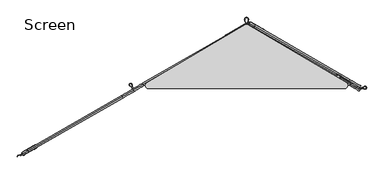
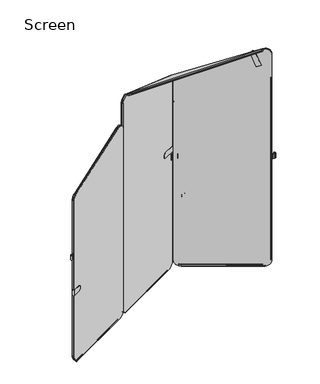
"""IFC4 building model written with IfcOpenShell, lengths in millimetres: furniture geometry, Screen."""

from ifc_helpers import new_model, si_unit, point, frame, frame_2d, origin, place, context, project, spatial, polyline, circle_curve, ellipse_curve, trimmed, segment, composite_curve, outline, extrude, source, transform, mapped, element, save
from ifc_brep_helpers import plane_surface, cylinder_surface, revolved_surface, advanced_brep


def screen_e1c4ccff(model_context):
    return source(origin(), model_context, "Body", "SolidModel", [
        extrude(outline(composite_curve([segment(polyline([(57.15, 57.15), (57.15, -516.4429447)]), True, "CONTINUOUS"), segment(trimmed(circle_curve(frame_2d((15.6022923, -516.4429447)), 41.5477077), [point((57.15, -516.4429447))], [point((15.72966, -557.9904571))], False, "CARTESIAN"), True, "CONTINUOUS"), segment(polyline([(15.72966, -557.9904571), (-1510.5646113, -557.9904571)]), True, "CONTINUOUS"), segment(trimmed(circle_curve(frame_2d((-1510.5646113, -507.1904571)), 50.8), [point((-1510.5646113, -557.9904571))], [point((-1558.4447325, -490.2159472))], False, "CARTESIAN"), True, "CONTINUOUS"), segment(polyline([(-1558.4447325, -490.2159472), (-1354.624438, 84.701414)]), True, "CONTINUOUS"), segment(trimmed(circle_curve(frame_2d((-1312.7293319, 69.8487179)), 44.45), [point((-1354.624438, 84.701414))], [point((-1312.7293753, 114.2987179))], False, "CARTESIAN"), True, "CONTINUOUS"), segment(polyline([(-1312.7293753, 114.2987179), (-5.59e-05, 114.3)]), True, "CONTINUOUS"), segment(trimmed(circle_curve(frame_2d((0.0, 57.15)), 57.15), [point((-5.59e-05, 114.3))], [point((57.15, 57.15))], False, "CARTESIAN"), True, "CONTINUOUS")], self_intersect=False)), frame((103.6744467, 124.1904105, 62.4738029), z_axis=(0.5014255681836765, 0.8652007856975613, 0.0), x_axis=(0.0, 0.0, -1.0)), (0.0, 0.0, 1.0), 8.2615122),
        extrude(outline(composite_curve([segment(polyline([(573.5929447, 0.0), (0.0, 0.0)]), True, "CONTINUOUS"), segment(trimmed(circle_curve(frame_2d((0.0, 41.5477077)), 41.5477077), [point((0.0, 0.0))], [point((-41.5475124, 41.42034))], False, "CARTESIAN"), True, "CONTINUOUS"), segment(polyline([(-41.5475124, 41.42034), (-41.5475124, 1567.7146113)]), True, "CONTINUOUS"), segment(trimmed(circle_curve(frame_2d((9.2524875, 1567.7146113)), 50.8), [point((-41.5475124, 1567.7146113))], [point((26.2269975, 1615.5947325))], False, "CARTESIAN"), True, "CONTINUOUS"), segment(polyline([(26.2269975, 1615.5947325), (601.1443587, 1411.774438)]), True, "CONTINUOUS"), segment(trimmed(circle_curve(frame_2d((586.2916626, 1369.8793319)), 44.45), [point((601.1443587, 1411.774438))], [point((630.7416626, 1369.8793753))], False, "CARTESIAN"), True, "CONTINUOUS"), segment(polyline([(630.7416626, 1369.8793753), (630.7429447, 57.1500559)]), True, "CONTINUOUS"), segment(trimmed(circle_curve(frame_2d((573.5929447, 57.15)), 57.15), [point((630.7429447, 57.1500559))], [point((573.5929447, 0.0))], False, "CARTESIAN"), True, "CONTINUOUS")], self_intersect=False)), frame((546.3587548, -141.9151533, 5.3238029), z_axis=(0.5014255681836765, 0.8652007856975612, 0.0), x_axis=(-0.8652007856975612, 0.5014255681836765, 0.0)), (0.0, 0.0, 1.0), 8.2615122),
        extrude(outline(composite_curve([segment(trimmed(circle_curve(frame_2d((598.1136733, -178.0375759)), 15.6309476), [point((587.1517606, -166.8947311))], [point((599.0493266, -162.4346571))], False, "CARTESIAN"), True, "CONTINUOUS"), segment(trimmed(circle_curve(frame_2d((595.5971111, -220.0036696)), 57.6724283), [point((599.0493266, -162.4346571))], [point((612.9936447, -165.017584))], False, "CARTESIAN"), True, "CONTINUOUS"), segment(trimmed(circle_curve(frame_2d((613.575283, -158.2398324)), 6.8026627), [point((612.9936447, -165.017584))], [point((609.8295658, -152.5612919))], True, "CARTESIAN"), True, "CONTINUOUS"), segment(trimmed(circle_curve(frame_2d((578.0736766, -104.4190808)), 57.6724283), [point((609.8295658, -152.5612919))], [point((597.1212487, -158.8552726))], False, "CARTESIAN"), True, "CONTINUOUS"), segment(trimmed(circle_curve(frame_2d((591.9587888, -144.1014417)), 15.6309476), [point((597.1212487, -158.8552726))], [point((584.4578288, -157.815016))], False, "CARTESIAN"), True, "CONTINUOUS"), segment(trimmed(circle_curve(frame_2d((593.1754437, -141.8771013)), 18.1662857), [point((584.4578288, -157.815016))], [point((577.9568598, -151.797214))], False, "CARTESIAN"), True, "CONTINUOUS"), segment(polyline([(577.9568598, -151.797214), (578.7769997, -151.1946711)]), True, "CONTINUOUS"), segment(trimmed(circle_curve(frame_2d((593.1754437, -141.8771013)), 17.1502857), [point((578.7769997, -151.1946711))], [point((584.9453856, -156.9236438))], True, "CARTESIAN"), True, "CONTINUOUS"), segment(trimmed(circle_curve(frame_2d((591.9587888, -144.1014417)), 14.6149476), [point((584.9453856, -156.9236438))], [point((596.7856926, -157.8962846))], True, "CARTESIAN"), True, "CONTINUOUS"), segment(trimmed(circle_curve(frame_2d((578.0736766, -104.4190808)), 56.6564283), [point((596.7856926, -157.8962846))], [point((609.2701307, -151.7131832))], True, "CARTESIAN"), True, "CONTINUOUS"), segment(trimmed(circle_curve(frame_2d((613.5685854, -158.2296788)), 7.8064991), [point((609.2701307, -151.7131832))], [point((612.6871746, -165.9862594))], False, "CARTESIAN"), True, "CONTINUOUS"), segment(trimmed(circle_curve(frame_2d((595.5971111, -220.0036696)), 56.6564283), [point((612.6871746, -165.9862594))], [point((598.9885099, -163.4488353))], True, "CARTESIAN"), True, "CONTINUOUS"), segment(trimmed(circle_curve(frame_2d((598.1136733, -178.0375759)), 14.6149476), [point((598.9885099, -163.4488353))], [point((587.8642768, -167.6190077))], True, "CARTESIAN"), True, "CONTINUOUS"), segment(trimmed(circle_curve(frame_2d((599.8916945, -179.8449442)), 17.1502857), [point((587.8642768, -167.6190077))], [point((583.4955544, -174.8151441))], True, "CARTESIAN"), True, "CONTINUOUS"), segment(polyline([(583.4955544, -174.8151441), (582.5420077, -174.4595653)]), True, "CONTINUOUS"), segment(trimmed(circle_curve(frame_2d((599.8916945, -179.8449442)), 18.1662857), [point((582.5420077, -174.4595653))], [point((587.1517606, -166.8947311))], False, "CARTESIAN"), True, "CONTINUOUS")], self_intersect=False)), frame((0.0, 0.0, 895.3441864), z_axis=(0.0, 0.0, 1.0), x_axis=(1.0, 0.0, 0.0)), (0.0, 0.0, 1.0), 38.1),
        advanced_brep(
        [(11.7279021, 186.0583928, 624.0890865), (61.5572902, 157.2631821, 624.0890865), (62.5936488, 159.0565745, 624.0890865), (11.932128, 188.3326548, 624.0890865), (2.4285422, 171.8869386, 624.0890865), (53.090063, 142.6108583, 624.0890865), (54.2442775, 144.6081974, 624.0890865), (4.4148894, 173.4034081, 624.0890865), (11.932128, 188.3326548, 579.6941583), (59.1393423, 161.0527355, 579.6941583), (58.1029838, 159.2593431, 579.6941583), (11.7279021, 186.0583928, 579.6941583), (4.4148894, 173.4034081, 579.6941583), (50.789971, 146.6043584, 579.6941583), (49.6357565, 144.6070193, 579.6941583), (2.4285422, 171.8869386, 579.6941583), (58.1029838, 159.2593431, 580.0001528), (59.1393423, 161.0527355, 580.0001528), (49.6357565, 144.6070193, 580.0001528), (50.789971, 146.6043584, 580.0001528)],
        [
            (0, 1),
            (1, 2),
            (2, 3),
            (3, 4, circle_curve(frame((7.1803351, 180.1097967, 624.0890865), z_axis=(0.0, 0.0, 1.0), x_axis=(-0.5003413979630116, -0.8658282078359537, 0.0)), 9.4971012)),
            (4, 5),
            (5, 6),
            (6, 7),
            (7, 0, circle_curve(frame((8.0713958, 179.7309004, 624.0890865), z_axis=(0.0, 0.0, -1.0), x_axis=(-0.5003413979630116, -0.8658282078359537, 0.0)), 7.3080229)),
            (8, 9),
            (9, 10),
            (10, 11),
            (11, 12, circle_curve(frame((8.0713958, 179.7309004, 579.6941583), z_axis=(0.0, 0.0, 1.0), x_axis=(-0.5003413979630116, -0.8658282078359537, 0.0)), 7.3080229)),
            (12, 13),
            (13, 14),
            (14, 15),
            (15, 8, circle_curve(frame((7.1803351, 180.1097967, 579.6941583), z_axis=(0.0, 0.0, -1.0), x_axis=(-0.5003413979630116, -0.8658282078359537, 0.0)), 9.4971012)),
            (10, 16),
            (16, 1, circle_curve(frame((58.1029838, 159.2593431, 602.2251286), z_axis=(-0.5003413979630116, -0.8658282078359538, 0.0), x_axis=(-0.8658282078359536, 0.5003413979630115, 0.0)), 22.2249758)),
            (0, 11),
            (2, 17, circle_curve(frame((59.1393423, 161.0527355, 602.2251286), z_axis=(0.5003413979630116, 0.8658282078359538, 0.0), x_axis=(-0.8658282078359536, 0.5003413979630115, 0.0)), 22.2249758)),
            (17, 9),
            (8, 3),
            (15, 4),
            (14, 18),
            (18, 5, circle_curve(frame((49.6357565, 144.6070193, 602.2251286), z_axis=(-0.5003413979630116, -0.8658282078359538, 0.0), x_axis=(-0.8658282078359536, 0.5003413979630115, 0.0)), 22.2249758)),
            (6, 19, circle_curve(frame((50.789971, 146.6043584, 602.2251286), z_axis=(0.5003413979630116, 0.8658282078359538, 0.0), x_axis=(-0.8658282078359536, 0.5003413979630115, 0.0)), 22.2249758)),
            (19, 13),
            (12, 7),
            (16, 17),
            (18, 19),
        ],
        [
            plane_surface(frame((4.4148894, 173.4034081, 624.0890865), z_axis=(0.0, 0.0, 1.0), x_axis=(0.8658282078359536, -0.5003413979630116, 0.0))),
            plane_surface(frame((4.4148894, 173.4034081, 579.6941583), z_axis=(0.0, 0.0, -1.0), x_axis=(-0.8658282078359536, 0.5003413979630116, 0.0))),
            plane_surface(frame((79.2343951, 147.0480063, 624.0890865), z_axis=(-0.5003413979630125, -0.8658282078359532, 0.0), x_axis=(0.0, 0.0, -1.0))),
            plane_surface(frame((11.932128, 188.3326548, 624.0890865), z_axis=(0.5003413979630111, 0.8658282078359539, 0.0), x_axis=(0.0, 0.0, -1.0))),
            cylinder_surface(frame((7.1803351, 180.1097967, 579.6941583), z_axis=(0.0, 0.0, 1.0000000000000002), x_axis=(-0.5003413979630116, -0.8658282078359537, 0.0)), 9.4971012),
            plane_surface(frame((70.7671679, 132.3956825, 624.0890865), z_axis=(-0.5003413979630126, -0.865828207835953, 0.0), x_axis=(0.0, 0.0, -1.0))),
            plane_surface(frame((4.4148894, 173.4034081, 624.0890865), z_axis=(0.5003413979630116, 0.8658282078359537, 0.0), x_axis=(0.0, 0.0, -1.0))),
            revolved_surface(polyline([(4.414889405868298, 173.4034080296689, 579.6941583), (4.414889405868298, 173.4034080296689, 624.0890865)]), (8.0713958, 179.7309004, 579.6941583), (0.0, 0.0, -1.0000000000000002)),
            cylinder_surface(frame((-244.7509442, -364.8217639, 602.2251286), z_axis=(-0.5003413979630115, -0.8658282078359536, 0.0), x_axis=(-0.8658282078359536, 0.5003413979630115, 0.0)), 22.2249758),
            plane_surface(frame((175.8006548, 362.9322033, 580.0001528), z_axis=(0.8658282078359536, -0.5003413979630116, 0.0), x_axis=(-0.5003413979630116, -0.8658282078359536, 0.0))),
        ],
        [
            (0, [[1, 2, 3, 4, 5, 6, 7, 8]]),
            (1, [[9, 10, 11, 12, 13, 14, 15, 16]]),
            (2, [[-11, 17, 18, -1, 19]]),
            (3, [[-3, 20, 21, -9, 22]]),
            (4, [[-22, -16, 23, -4]]),
            (5, [[-15, 24, 25, -5, -23]]),
            (6, [[-7, 26, 27, -13, 28]]),
            (7, [[-28, -12, -19, -8]]),
            (8, [[-20, -2, -18, 29]]),
            (8, [[-26, -6, -25, 30]]),
            (9, [[-17, -10, -21, -29]]),
            (9, [[-24, -14, -27, -30]]),
        ],
    ),
        extrude(outline(composite_curve([segment(trimmed(circle_curve(frame_2d((0.0, 2.667)), 2.667), [point((0.0, 5.334))], [point((0.0, 0.0))], False, "CARTESIAN"), True, "CONTINUOUS"), segment(trimmed(circle_curve(frame_2d((0.0, 2.667)), 2.667), [point((0.0, 0.0))], [point((0.0, 5.334))], False, "CARTESIAN"), True, "CONTINUOUS")], self_intersect=False)), frame((537.3435442, -126.5834955, 2.5379514), z_axis=(-0.8668691708695273, 0.49853569641097756, 0.0), x_axis=(0.0, 0.0, 1.0)), (0.0, 0.0, 1.0), 579.4266985),
        extrude(outline(composite_curve([segment(trimmed(circle_curve(frame_2d((0.0, 2.667)), 2.667), [point((0.0, 5.334))], [point((0.0, 0.0))], False, "CARTESIAN"), True, "CONTINUOUS"), segment(trimmed(circle_curve(frame_2d((0.0, 2.667)), 2.667), [point((0.0, 0.0))], [point((0.0, 5.334))], False, "CARTESIAN"), True, "CONTINUOUS")], self_intersect=False)), frame((536.7361583, -127.3623609, 2.5379514), z_axis=(-0.8660253657267415, 0.5000000659178595, 0.0), x_axis=(0.0, 0.0, -1.0)), (0.0, 0.0, 1.0), 579.289294),
        extrude(outline(composite_curve([segment(polyline([(30.9902992, 166.2949488), (30.525524, 165.4906669), (8.1729156, 178.4077043), (-5.1623868, 184.9182753), (-21.1292247, 189.8067119)]), True, "CONTINUOUS"), segment(trimmed(circle_curve(frame_2d((-19.543052, 195.0519747)), 5.4798472), [point((-21.1292247, 189.8067119))], [point((-15.8042254, 199.0582075))], False, "CARTESIAN"), True, "CONTINUOUS"), segment(polyline([(-15.8042254, 199.0582075), (-3.7508821, 187.8093953), (8.6376908, 179.2119862), (30.9902992, 166.2949488)]), True, "CONTINUOUS")], self_intersect=False), holes=[composite_curve([segment(polyline([(-4.2734535, 187.6916966), (-16.0871469, 198.3372307)]), True, "CONTINUOUS"), segment(trimmed(circle_curve(frame_2d((-19.5546121, 194.9497846)), 4.8474845), [point((-16.0871469, 198.3372307))], [point((-20.9737069, 190.3146713))], True, "CARTESIAN"), True, "CONTINUOUS"), segment(polyline([(-20.9737069, 190.3146713), (-5.3350227, 185.5267029), (8.7674516, 178.6415827), (-4.2734535, 187.6916966)]), True, "CONTINUOUS")], self_intersect=False)]), frame((0.0, 0.0, 895.3440895), z_axis=(0.0, 0.0, 1.0), x_axis=(1.0, 0.0, 0.0)), (0.0, 0.0, 1.0), 38.1000969),
        extrude(outline(composite_curve([segment(polyline([(-573.5929446, 0.0), (0.0, 0.0)]), True, "CONTINUOUS"), segment(trimmed(circle_curve(frame_2d((0.0, -41.5477077)), 41.5477077), [point((0.0, 0.0))], [point((41.5475125, -41.42034))], False, "CARTESIAN"), True, "CONTINUOUS"), segment(polyline([(41.5475125, -41.42034), (41.5475125, -1567.7146113)]), True, "CONTINUOUS"), segment(trimmed(circle_curve(frame_2d((-9.2524876, -1567.7146113)), 50.8), [point((41.5475125, -1567.7146113))], [point((-26.2269974, -1615.5947325))], False, "CARTESIAN"), True, "CONTINUOUS"), segment(polyline([(-26.2269974, -1615.5947325), (-601.1443587, -1411.774438)]), True, "CONTINUOUS"), segment(trimmed(circle_curve(frame_2d((-586.2916626, -1369.8793319)), 44.45), [point((-601.1443587, -1411.774438))], [point((-630.7416626, -1369.8793753))], False, "CARTESIAN"), True, "CONTINUOUS"), segment(polyline([(-630.7416626, -1369.8793753), (-630.7429446, -57.1500559)]), True, "CONTINUOUS"), segment(trimmed(circle_curve(frame_2d((-573.5929446, -57.15)), 57.15), [point((-630.7429446, -57.1500559))], [point((-573.5929446, 0.0))], False, "CARTESIAN"), True, "CONTINUOUS")], self_intersect=False)), frame((-644.3974167, -192.0436174, 5.3238029), z_axis=(-0.4978895307584103, 0.8672404598271289, 0.0), x_axis=(0.8672404598271289, 0.4978895307584103, 0.0)), (0.0, 0.0, 1.0), 6.4590613),
        extrude(outline(composite_curve([segment(polyline([(-57.15, -57.15), (-57.15, 516.4429447)]), True, "CONTINUOUS"), segment(trimmed(circle_curve(frame_2d((-15.6022923, 516.4429447)), 41.5477077), [point((-57.15, 516.4429447))], [point((-15.72966, 557.9904571))], False, "CARTESIAN"), True, "CONTINUOUS"), segment(polyline([(-15.72966, 557.9904571), (1510.5646113, 557.9904571)]), True, "CONTINUOUS"), segment(trimmed(circle_curve(frame_2d((1510.5646113, 507.1904571)), 50.8), [point((1510.5646113, 557.9904571))], [point((1558.4447325, 490.2159473))], False, "CARTESIAN"), True, "CONTINUOUS"), segment(polyline([(1558.4447325, 490.2159473), (1354.624438, -84.7014141)]), True, "CONTINUOUS"), segment(trimmed(circle_curve(frame_2d((1312.7293319, -69.8487179)), 44.45), [point((1354.624438, -84.7014141))], [point((1312.7293753, -114.2987179))], False, "CARTESIAN"), True, "CONTINUOUS"), segment(polyline([(1312.7293753, -114.2987179), (5.59e-05, -114.2999999)]), True, "CONTINUOUS"), segment(trimmed(circle_curve(frame_2d((0.0, -57.15)), 57.15), [point((5.59e-05, -114.2999999))], [point((-57.15, -57.15))], False, "CARTESIAN"), True, "CONTINUOUS")], self_intersect=False)), frame((-1088.1643131, -456.3398704, 62.4738029), z_axis=(-0.4978895307584103, 0.8672404598271289, 0.0), x_axis=(0.0, 0.0, 1.0)), (0.0, 0.0, 1.0), 8.2615122),
        extrude(outline(polyline([(-605.6979028, -168.5697612), (-612.5631564, -173.2613455), (-613.0093626, -172.244663), (-606.3856859, -167.7181678), (-605.6979028, -168.5697612)])), frame((0.0, 0.0, 47.7445179), z_axis=(0.0, 0.0, 1.0), x_axis=(1.0, 0.0, 0.0)), (0.0, 0.0, 1.0), 1433.1089655),
        extrude(outline(polyline([(-605.6979028, -168.5697612), (-605.1543863, -169.5199437), (-611.8446199, -174.0919227), (-612.6297133, -173.3068293), (-605.6979028, -168.5697612)])), frame((0.0, 0.0, 47.7445179), z_axis=(0.0, 0.0, 1.0), x_axis=(1.0, 0.0, 0.0)), (0.0, 0.0, 1.0), 1433.1089655),
        extrude(outline(composite_curve([segment(trimmed(circle_curve(frame_2d((0.0, -2.667)), 2.667), [point((0.0, -5.334))], [point((0.0, 0.0))], False, "CARTESIAN"), True, "CONTINUOUS"), segment(trimmed(circle_curve(frame_2d((0.0, -2.667)), 2.667), [point((0.0, 0.0))], [point((0.0, -5.334))], False, "CARTESIAN"), True, "CONTINUOUS")], self_intersect=False)), frame((-1158.8771195, -490.9326908, 2.5379514), z_axis=(0.865179125050998, 0.5014629413785127, 0.0), x_axis=(0.0, 0.0, 1.0)), (0.0, 0.0, 1.0), 579.4266985),
        extrude(outline(composite_curve([segment(trimmed(circle_curve(frame_2d((0.0, -2.667)), 2.667), [point((0.0, -5.334))], [point((0.0, 0.0))], False, "CARTESIAN"), True, "CONTINUOUS"), segment(trimmed(circle_curve(frame_2d((0.0, -2.667)), 2.667), [point((0.0, 0.0))], [point((0.0, -5.334))], False, "CARTESIAN"), True, "CONTINUOUS")], self_intersect=False)), frame((-1158.8704838, -490.9621335, 2.5379514), z_axis=(0.8660254037844444, 0.49999999999999006, 0.0), x_axis=(0.0, 0.0, -1.0)), (0.0, 0.0, 1.0), 579.289294),
        advanced_brep(
        [(-1183.5025187, -514.4168458, 624.0890865), (-1183.5025187, -514.4168458, 579.6941583), (-1136.2738105, -487.1741549, 579.6941583), (-1136.2738105, -487.1741549, 580.0001528), (-1132.8179313, -485.180718, 624.0890865), (-1144.7294827, -472.5151598, 580.0001528), (-1145.7644269, -470.7209509, 580.0001528), (-1142.3085476, -468.727514, 624.0890865), (-1141.2736034, -470.5217229, 624.0890865), (-1137.4264498, -485.1759065, 580.0001528), (-1133.9705706, -483.1824696, 624.0890865), (-1192.9931351, -497.9636417, 624.0890865), (-1183.8226464, -511.9383839, 624.0890865), (-1191.1256793, -499.2776373, 624.0890865), (-1191.1256793, -499.2776373, 579.6941583), (-1183.8226464, -511.9383839, 579.6941583), (-1137.4264498, -485.1759065, 579.6941583), (-1192.9931351, -497.9636417, 579.6941583), (-1145.7644269, -470.7209509, 579.6941583), (-1144.7294827, -472.5151598, 579.6941583)],
        [
            (0, 1),
            (1, 2),
            (2, 3),
            (3, 4, circle_curve(frame((-1136.2738105, -487.1741549, 602.2251286), z_axis=(0.4996585902504318, -0.8662224270872644, 0.0), x_axis=(-0.8662224270872644, -0.4996585902504318, 0.0)), 22.2249758)),
            (4, 0),
            (5, 6),
            (6, 7, circle_curve(frame((-1145.7644269, -470.7209509, 602.2251286), z_axis=(0.4996585902504318, -0.8662224270872644, 0.0), x_axis=(-0.8662224270872644, -0.4996585902504318, 0.0)), 22.2249758)),
            (7, 8),
            (8, 5, circle_curve(frame((-1144.7294827, -472.5151598, 602.2251286), z_axis=(-0.4996585902504318, 0.8662224270872644, 0.0), x_axis=(-0.8662224270872644, -0.4996585902504318, 0.0)), 22.2249758)),
            (3, 9),
            (9, 10, circle_curve(frame((-1137.4264498, -485.1759065, 602.2251286), z_axis=(0.4996585902504318, -0.8662224270872644, 0.0), x_axis=(-0.8662224270872644, -0.4996585902504318, 0.0)), 22.2249758)),
            (10, 4),
            (11, 0, circle_curve(frame((-1188.2478269, -506.1902437, 624.0890865), z_axis=(0.0, 0.0, 1.0), x_axis=(0.4996585902504318, -0.8662224270872644, 0.0)), 9.4971012)),
            (10, 12),
            (12, 13, circle_curve(frame((-1187.4741629, -505.6080106, 624.0890865), z_axis=(0.0, 0.0, -1.0), x_axis=(0.4996585902504318, -0.8662224270872644, 0.0)), 7.3080229)),
            (13, 8),
            (7, 11),
            (14, 15, circle_curve(frame((-1187.4741629, -505.6080106, 579.6941583), z_axis=(0.0, 0.0, 1.0), x_axis=(0.4996585902504318, -0.8662224270872644, 0.0)), 7.3080229)),
            (15, 16),
            (16, 2),
            (1, 17, circle_curve(frame((-1188.2478269, -506.1902437, 579.6941583), z_axis=(0.0, 0.0, -1.0), x_axis=(0.4996585902504318, -0.8662224270872644, 0.0)), 9.4971012)),
            (17, 18),
            (18, 19),
            (19, 14),
            (13, 14),
            (19, 5),
            (17, 11),
            (6, 18),
            (15, 12),
            (9, 16),
        ],
        [
            plane_surface(frame((-1183.5025187, -514.4168458, 624.0890865), z_axis=(0.4996585902504306, -0.8662224270872652, 0.0), x_axis=(0.0, 0.0, -1.0))),
            cylinder_surface(frame((-842.2888544, -996.8348856, 602.2251286), z_axis=(0.4996585902504318, -0.8662224270872644, 0.0), x_axis=(-0.8662224270872644, -0.4996585902504318, 0.0)), 22.2249758),
            plane_surface(frame((-1086.3015476, -438.8124771, 624.0890865), z_axis=(0.0, 0.0, 1.0000000000000002), x_axis=(0.8662224270872647, 0.4996585902504315, 0.0))),
            plane_surface(frame((-1086.3015476, -438.8124771, 579.6941583), z_axis=(0.0, 0.0, -1.0000000000000002), x_axis=(-0.8662224270872647, -0.4996585902504315, 0.0))),
            plane_surface(frame((-1191.1256793, -499.2776373, 624.0890865), z_axis=(0.4996585902504315, -0.8662224270872647, 0.0), x_axis=(0.0, 0.0, -1.0))),
            plane_surface(frame((-1124.6233943, -458.5262787, 624.0890865), z_axis=(-0.49965859025043396, 0.8662224270872633, 0.0), x_axis=(0.0, 0.0, -1.0))),
            cylinder_surface(frame((-1188.2478269, -506.1902437, 579.6941583), z_axis=(0.0, 0.0, 1.0), x_axis=(0.4996585902504318, -0.8662224270872644, 0.0)), 9.4971012),
            plane_surface(frame((-1116.2854172, -472.9812342, 624.0890865), z_axis=(-0.4996585902504315, 0.8662224270872647, 0.0), x_axis=(0.0, 0.0, -1.0))),
            revolved_surface(polyline([(-1183.822646480268, -511.9383839336473, 579.6941583), (-1183.822646480268, -511.9383839336473, 624.0890865)]), (-1187.4741629, -505.6080106, 579.6941583), (0.0, 0.0, -1.0)),
            plane_surface(frame((-1262.2665336, -268.7495656, 573.6501528), z_axis=(0.8662224270872644, 0.4996585902504319, 0.0), x_axis=(0.4996585902504319, -0.8662224270872644, 0.0))),
        ],
        [
            (0, [[1, 2, 3, 4, 5]]),
            (1, [[6, 7, 8, 9]]),
            (1, [[10, 11, 12, -4]]),
            (2, [[13, -5, -12, 14, 15, 16, -8, 17]]),
            (3, [[18, 19, 20, -2, 21, 22, 23, 24]]),
            (4, [[25, -24, 26, -9, -16]]),
            (5, [[27, -17, -7, 28, -22]]),
            (6, [[-13, -27, -21, -1]]),
            (7, [[29, -14, -11, 30, -19]]),
            (8, [[-15, -29, -18, -25]]),
            (9, [[-6, -26, -23, -28]]),
            (9, [[-10, -3, -20, -30]]),
        ],
    ),
        extrude(outline(composite_curve([segment(polyline([(-1164.3788366, -492.4776321), (-1163.9146957, -493.2822801), (-1186.2774814, -506.1816898), (-1198.5834519, -514.4751159), (-1210.8003802, -525.8585858)]), True, "CONTINUOUS"), segment(trimmed(circle_curve(frame_2d((-1214.549825, -521.8622888)), 5.4798472), [point((-1210.8003802, -525.8585858))], [point((-1216.1499115, -516.6212537))], False, "CARTESIAN"), True, "CONTINUOUS"), segment(polyline([(-1216.1499115, -516.6212537), (-1200.3814831, -511.8071572), (-1186.7416224, -505.3770418), (-1164.3788366, -492.4776321)]), True, "CONTINUOUS")], self_intersect=False), holes=[composite_curve([segment(polyline([(-1200.5408387, -512.3185666), (-1215.6669879, -517.2267593)]), True, "CONTINUOUS"), segment(trimmed(circle_curve(frame_2d((-1214.4671059, -521.9233952)), 4.8474845), [point((-1215.6669879, -517.2267593))], [point((-1211.1625271, -525.4699238))], True, "CARTESIAN"), True, "CONTINUOUS"), segment(polyline([(-1211.1625271, -525.4699238), (-1199.1966836, -514.3204092), (-1186.1827581, -505.5498673), (-1200.5408387, -512.3185666)]), True, "CONTINUOUS")], self_intersect=False)]), frame((0.0, 0.0, 895.3440895), z_axis=(0.0, 0.0, 1.0), x_axis=(1.0, 0.0, 0.0)), (0.0, 0.0, 1.0), 38.1000969),
        extrude(outline(composite_curve([segment(trimmed(circle_curve(frame_2d((-631.5114817, -166.7537205)), 18.1662857), [point((-613.463088, -168.819978))], [point((-616.5862115, -177.1098899))], False, "CARTESIAN"), True, "CONTINUOUS"), segment(polyline([(-616.5862115, -177.1098899), (-617.4534733, -176.577401)]), True, "CONTINUOUS"), segment(trimmed(circle_curve(frame_2d((-631.5114817, -166.7537205)), 17.1502857), [point((-617.4534733, -176.577401))], [point((-614.4724946, -168.7044168))], True, "CARTESIAN"), True, "CONTINUOUS"), segment(trimmed(circle_curve(frame_2d((-628.9925969, -167.0420932)), 14.6149476), [point((-614.4724946, -168.7044168))], [point((-618.0351156, -157.370987))], True, "CARTESIAN"), True, "CONTINUOUS"), segment(trimmed(circle_curve(frame_2d((-660.5129797, -194.8620784)), 56.6564283), [point((-618.0351156, -157.370987))], [point((-628.4683732, -148.1384862))], True, "CARTESIAN"), True, "CONTINUOUS"), segment(trimmed(circle_curve(frame_2d((-622.898755, -142.6684971)), 7.8064991), [point((-628.4683732, -148.1384862))], [point((-615.1172934, -142.0437704))], False, "CARTESIAN"), True, "CONTINUOUS"), segment(trimmed(circle_curve(frame_2d((-558.6425772, -137.5097548)), 56.6564283), [point((-615.1172934, -142.0437704))], [point((-612.3034562, -155.6883391))], True, "CARTESIAN"), True, "CONTINUOUS"), segment(trimmed(circle_curve(frame_2d((-598.4612329, -150.9990379)), 14.6149476), [point((-612.3034562, -155.6883391))], [point((-604.247384, -164.4198109))], True, "CARTESIAN"), True, "CONTINUOUS"), segment(trimmed(circle_curve(frame_2d((-597.4574764, -148.6708601)), 17.1502857), [point((-604.247384, -164.4198109))], [point((-595.9352542, -165.7534576))], True, "CARTESIAN"), True, "CONTINUOUS"), segment(polyline([(-595.9352542, -165.7534576), (-595.905136, -166.7706991)]), True, "CONTINUOUS"), segment(trimmed(circle_curve(frame_2d((-597.4574764, -148.6708601)), 18.1662857), [point((-595.905136, -166.7706991))], [point((-604.6496249, -165.3527944))], False, "CARTESIAN"), True, "CONTINUOUS"), segment(trimmed(circle_curve(frame_2d((-598.4612329, -150.9990379)), 15.6309476), [point((-604.6496249, -165.3527944))], [point((-613.2657381, -156.0143293))], False, "CARTESIAN"), True, "CONTINUOUS"), segment(trimmed(circle_curve(frame_2d((-558.6425772, -137.5097548)), 57.6724283), [point((-613.2657381, -156.0143293))], [point((-616.1300348, -142.1250773))], False, "CARTESIAN"), True, "CONTINUOUS"), segment(trimmed(circle_curve(frame_2d((-622.9108796, -142.6694706)), 6.8026627), [point((-616.1300348, -142.1250773))], [point((-627.8937285, -147.3006083))], True, "CARTESIAN"), True, "CONTINUOUS"), segment(trimmed(circle_curve(frame_2d((-660.5129797, -194.8620784)), 57.6724283), [point((-627.8937285, -147.3006083))], [point((-617.2733749, -156.6986723))], False, "CARTESIAN"), True, "CONTINUOUS"), segment(trimmed(circle_curve(frame_2d((-628.9925969, -167.0420932)), 15.6309476), [point((-617.2733749, -156.6986723))], [point((-613.463088, -168.819978))], False, "CARTESIAN"), True, "CONTINUOUS")], self_intersect=False)), frame((0.0, 0.0, 895.3441864), z_axis=(0.0, 0.0, 1.0), x_axis=(1.0, 0.0, 0.0)), (0.0, 0.0, 1.0), 38.1),
        extrude(outline(polyline([(-69.9882338, 1e-07), (-33.8529547, 1e-07), (-33.8529547, -107.2204229), (-69.9882338, -110.263858), (-69.9882338, 1e-07)])), frame((540.94969, -161.483269, 1711.4543606), z_axis=(0.5000000329589275, 0.8660253847555922, 0.0), x_axis=(0.8137976634681084, -0.4698463413642159, 0.3420201433256647)), (0.0, 0.0, 1.0), 3.4687756),
        extrude(outline(polyline([(-61.6734476, 0.0), (-43.5586313, 0.0), (-43.5586313, -129.7356774), (-61.6734475, -131.2613684), (-61.6734476, 0.0)])), frame((564.6927466, -145.8777134, 1676.3984406), z_axis=(0.5000000329589274, 0.8660253847555922, 0.0), x_axis=(0.8137976634681084, -0.4698463413642158, 0.3420201433256644)), (0.0, 0.0, 1.0), 0.8108983),
        extrude(outline(composite_curve([segment(polyline([(-443.2230616, 0.0), (1111.9279857, 0.0)]), True, "CONTINUOUS"), segment(trimmed(circle_curve(frame_2d((1111.9279857, -45.7577438)), 45.7577438), [point((1111.9279857, 0.0))], [point((1157.6857295, -45.7577438))], False, "CARTESIAN"), True, "CONTINUOUS"), segment(polyline([(1157.6857295, -45.7577438), (1157.6857295, -633.7974239)]), True, "CONTINUOUS"), segment(trimmed(circle_curve(frame_2d((1113.2357295, -633.7974239)), 44.45), [point((1157.6857295, -633.7974239))], [point((1113.2357295, -678.2474239))], False, "CARTESIAN"), True, "CONTINUOUS"), segment(polyline([(1113.2357295, -678.2474239), (-621.8286048, -678.2474239)]), True, "CONTINUOUS"), segment(trimmed(circle_curve(frame_2d((-621.8286048, -634.8957023)), 43.3517216), [point((-621.8286048, -678.2474239))], [point((-662.6985677, -620.4382511))], False, "CARTESIAN"), True, "CONTINUOUS"), segment(polyline([(-662.6985677, -620.4382511), (-443.2230616, 0.0)]), True, "CONTINUOUS")], self_intersect=False)), frame((-5.6629884, 163.6468226, 1163.1002266), z_axis=(0.5000000329589276, 0.8660253847555921, 0.0), x_axis=(0.0, 0.0, -1.0)), (0.0, 0.0, 1.0), 6.049998),
        extrude(outline(composite_curve([segment(trimmed(circle_curve(frame_2d((0.0, -2.6669999)), 2.667), [point((0.0, -5.334))], [point((0.0, 0.0))], False, "CARTESIAN"), True, "CONTINUOUS"), segment(trimmed(circle_curve(frame_2d((0.0, -2.6669999)), 2.667), [point((0.0, 0.0))], [point((0.0, -5.334))], False, "CARTESIAN"), True, "CONTINUOUS")], self_intersect=False)), frame((546.2862611, -147.9721252, 2.5379514), z_axis=(-0.8651791250509948, 0.5014629413785183, 0.0), x_axis=(0.0, 0.0, 1.0)), (0.0, 0.0, 1.0), 579.4266985),
        extrude(outline(composite_curve([segment(trimmed(circle_curve(frame_2d((0.0, -2.667)), 2.667), [point((0.0, -5.334))], [point((0.0, 0.0))], False, "CARTESIAN"), True, "CONTINUOUS"), segment(trimmed(circle_curve(frame_2d((0.0, -2.667)), 2.667), [point((0.0, 0.0))], [point((0.0, -5.334))], False, "CARTESIAN"), True, "CONTINUOUS")], self_intersect=False)), frame((546.2845735, -147.9468054, 2.5379514), z_axis=(-0.8660254037844412, 0.4999999999999957, 0.0), x_axis=(0.0, 0.0, -1.0)), (0.0, 0.0, 1.0), 579.289294),
        extrude(outline(composite_curve([segment(trimmed(circle_curve(frame_2d((0.0, -2.667)), 2.667), [point((0.0, -5.3339999))], [point((0.0, 0.0))], False, "CARTESIAN"), True, "CONTINUOUS"), segment(trimmed(circle_curve(frame_2d((0.0, -2.667)), 2.667), [point((0.0, 0.0))], [point((0.0, -5.3339999))], False, "CARTESIAN"), True, "CONTINUOUS")], self_intersect=False)), frame((-570.6642853, -148.7535796, 2.5379514), z_axis=(0.8651791250509948, 0.5014629413785183, 0.0), x_axis=(0.0, 0.0, -1.0)), (0.0, 0.0, 1.0), 579.3030841),
        extrude(outline(composite_curve([segment(trimmed(circle_curve(frame_2d((0.0, -2.667)), 2.667), [point((0.0, -5.334))], [point((0.0, 0.0))], False, "CARTESIAN"), True, "CONTINUOUS"), segment(trimmed(circle_curve(frame_2d((0.0, -2.667)), 2.667), [point((0.0, 0.0))], [point((0.0, -5.334))], False, "CARTESIAN"), True, "CONTINUOUS")], self_intersect=False)), frame((-570.781909, -148.5470215, 2.5379514), z_axis=(0.8660254037844412, 0.4999999999999957, 0.0), x_axis=(0.0, 0.0, 1.0)), (0.0, 0.0, 1.0), 579.3014692),
        extrude(outline(composite_curve([segment(polyline([(442.9908781, 0.0), (662.8044894, -621.3940454)]), True, "CONTINUOUS"), segment(trimmed(circle_curve(frame_2d((621.9345266, -635.8514966)), 43.3517216), [point((662.8044894, -621.3940454))], [point((621.9345266, -679.2032182))], False, "CARTESIAN"), True, "CONTINUOUS"), segment(polyline([(621.9345266, -679.2032182), (-1113.2357295, -679.2032182)]), True, "CONTINUOUS"), segment(trimmed(circle_curve(frame_2d((-1113.2357295, -634.7532182)), 44.45), [point((-1113.2357295, -679.2032182))], [point((-1157.6857295, -634.7532182))], False, "CARTESIAN"), True, "CONTINUOUS"), segment(polyline([(-1157.6857295, -634.7532182), (-1157.6857295, -45.7577438)]), True, "CONTINUOUS"), segment(trimmed(circle_curve(frame_2d((-1111.9279857, -45.7577438)), 45.7577438), [point((-1157.6857295, -45.7577438))], [point((-1111.9279857, 0.0))], False, "CARTESIAN"), True, "CONTINUOUS"), segment(polyline([(-1111.9279857, 0.0), (442.9908781, 0.0)]), True, "CONTINUOUS")], self_intersect=False)), frame((-14.4661128, 163.1916196, 1163.1002266), z_axis=(-0.5000000329589273, 0.8660253847555923, 0.0), x_axis=(0.0, 0.0, 1.0)), (0.0, 0.0, 1.0), 7.4323841),
        extrude(outline(composite_curve([segment(polyline([(717.1326135, 0.0), (1235.7630088, -1466.1232188)]), True, "CONTINUOUS"), segment(trimmed(circle_curve(frame_2d((1192.6247614, -1481.3830592)), 45.7577438), [point((1235.7630088, -1466.1232188))], [point((1207.8846018, -1524.5213066))], False, "CARTESIAN"), True, "CONTINUOUS"), segment(polyline([(1207.8846018, -1524.5213066), (653.5084657, -1720.6278214)]), True, "CONTINUOUS"), segment(trimmed(circle_curve(frame_2d((638.6847474, -1678.7224533)), 44.45), [point((653.5084657, -1720.6278214))], [point((596.7793793, -1693.5461716))], False, "CARTESIAN"), True, "CONTINUOUS"), segment(polyline([(596.7793793, -1693.5461716), (18.1493464, -57.8091728)]), True, "CONTINUOUS"), segment(trimmed(circle_curve(frame_2d((59.0193093, -43.3517215)), 43.3517216), [point((18.1493464, -57.8091728))], [point((59.0193093, 1e-07))], False, "CARTESIAN"), True, "CONTINUOUS"), segment(polyline([(59.0193093, 1e-07), (717.1326135, 0.0)]), True, "CONTINUOUS")], self_intersect=False)), frame((582.8634815, -169.153187, 1845.4812603), z_axis=(0.5000000329589278, 0.8660253847555921, 0.0), x_axis=(-0.8164479758659821, 0.47137650007505155, -0.3334919757375517)), (0.0, 0.0, 1.0), 6.049998),
        extrude(outline(composite_curve([segment(polyline([(-11.7399787, 174.820534), (5.9578534, 164.602685), (5.5596037, 163.9128964), (-10.9253159, 173.4304701)]), True, "CONTINUOUS"), segment(trimmed(circle_curve(frame_2d((-11.7288654, 172.0386816)), 1.6070989), [point((-10.9253159, 173.4304701))], [point((-12.5324149, 173.4304701))], True, "CARTESIAN"), True, "CONTINUOUS"), segment(polyline([(-12.5324149, 173.4304701), (-29.0173345, 163.9128964), (-29.4211408, 164.6123094), (-11.7399787, 174.820534)]), True, "CONTINUOUS")], self_intersect=False)), frame((0.0, 0.0, 47.7445179), z_axis=(0.0, 0.0, 1.0), x_axis=(1.0, 0.0, 0.0)), (0.0, 0.0, 1.0), 1546.3199554),
        extrude(outline(polyline([(-69.9882339, 0.0), (-33.8529547, 0.0), (-33.8529547, -144.5261538), (-69.9882339, -147.5695888), (-69.9882339, 0.0)])), frame((562.181854, -150.2267066, 1676.3984406), z_axis=(0.5000000329589275, 0.8660253847555922, 0.0), x_axis=(0.8137976634681076, -0.4698463413642154, 0.3420201433256673)), (0.0, 0.0, 1.0), 2.6694476),
        advanced_brep(
        [(-14.3097971, 176.8748559, 1594.4212319), (-536.1946032, -131.1738442, 1813.3437845), (-527.5364178, -163.4866295, 1836.3076776), (504.7049264, -163.4866295, 1836.3076776), (513.3505733, -131.2206383, 1813.3770399), (-9.1472551, 176.8760063, 1594.4204143), (-536.1946032, -131.1738442, 1804.2069588), (-14.3097971, 176.8748559, 1585.2844062), (-9.1472551, 176.8760063, 1585.2835886), (513.3505733, -131.2206383, 1804.2402142), (504.7049264, -163.4866295, 1827.1708519), (-527.5364178, -163.4866295, 1827.1708519)],
        [
            (0, 1),
            (1, 2, ellipse_curve(frame((-527.5364178, -146.1702599, 1824.0013642), z_axis=(0.0, 0.5792877413393603, 0.8151231273457663), x_axis=(0.0, -0.8151231273457663, 0.5792877413393603)), 21.2438698, 17.3163696)),
            (2, 3),
            (3, 4, ellipse_curve(frame((504.7049264, -146.1953368, 1824.0191858), z_axis=(0.0, 0.5792877413393603, 0.8151231273457663), x_axis=(0.0, -0.8151231273457663, 0.5792877413393603)), 21.2131053, 17.2912927)),
            (4, 5),
            (5, 0, ellipse_curve(frame((-11.7275511, 172.5001095, 1597.5302554), z_axis=(0.0, 0.5792877413393603, 0.8151231273457663), x_axis=(0.0, -0.8151231273457663, 0.5792877413393603)), 6.2321873, 5.08)),
            (6, 7),
            (7, 8, ellipse_curve(frame((-11.7275511, 172.5001095, 1588.3934296), z_axis=(0.0, -0.5792877413393607, -0.8151231273457661), x_axis=(0.0, -0.8151231273457661, 0.5792877413393606)), 6.2321873, 5.08)),
            (8, 9),
            (9, 10, ellipse_curve(frame((504.7049264, -146.1953368, 1814.88236), z_axis=(0.0, -0.5792877413393607, -0.8151231273457661), x_axis=(0.0, -0.8151231273457661, 0.5792877413393606)), 21.2131053, 17.2912927)),
            (10, 11),
            (11, 6, ellipse_curve(frame((-527.5364178, -146.1702599, 1814.8645385), z_axis=(0.0, -0.5792877413393607, -0.8151231273457661), x_axis=(0.0, -0.8151231273457661, 0.5792877413393606)), 21.2438698, 17.3163696)),
            (0, 7),
            (6, 1),
            (11, 2),
            (10, 3),
            (9, 4),
            (8, 5),
        ],
        [
            plane_surface(frame((2487.7263863, -225.8119481, 1880.6007321), z_axis=(0.0, 0.5792877413393603, 0.8151231273457663), x_axis=(-1.0, 0.0, 0.0))),
            plane_surface(frame((2487.7263863, 184.7961362, 1579.6549492), z_axis=(0.0, -0.5792877413393607, -0.8151231273457661), x_axis=(-1.0, 0.0, 0.0))),
            plane_surface(frame((-14.3097971, 176.8748559, 1921.29275), z_axis=(-0.5083161340305171, 0.8611705451792168, 0.0), x_axis=(0.0, 0.0, -1.0))),
            cylinder_surface(frame((-527.5364178, -146.1702599, 1565.3707306), z_axis=(0.0, 0.0, 1.0), x_axis=(1.0, 0.0, 0.0)), 17.3163696),
            plane_surface(frame((-527.5364178, -163.4866295, 1921.29275), z_axis=(0.0, -1.0, 0.0), x_axis=(0.0, 0.0, -1.0))),
            cylinder_surface(frame((504.7049264, -146.1953368, 1565.3707306), z_axis=(0.0, 0.0, 1.0), x_axis=(1.0, 0.0, 0.0)), 17.2912927),
            plane_surface(frame((513.3505733, -131.2206383, 1921.29275), z_axis=(0.5079322990525112, 0.8613969930172908, 0.0), x_axis=(0.0, 0.0, -1.0))),
            cylinder_surface(frame((-11.7275511, 172.5001095, 1565.3707306), z_axis=(0.0, 0.0, 1.0), x_axis=(1.0, 0.0, 0.0)), 5.08),
        ],
        [
            (0, [[1, 2, 3, 4, 5, 6]]),
            (1, [[7, 8, 9, 10, 11, 12]]),
            (2, [[13, -7, 14, -1]]),
            (3, [[-14, -12, 15, -2]]),
            (4, [[-15, -11, 16, -3]]),
            (5, [[-16, -10, 17, -4]]),
            (6, [[-17, -9, 18, -5]]),
            (7, [[-13, -6, -18, -8]]),
        ],
    ),
        advanced_brep(
        [(-4.9740439, 174.415226, 1606.0911047), (17.7762973, 161.0002348, 1606.0911047), (-41.2039978, 161.0002348, 1606.0911047), (-18.4768119, 174.415226, 1606.0911047), (-536.1946032, -131.1738442, 1813.7319588), (-536.1946032, -131.1738442, 1823.2656595), (-527.5364178, -163.4866295, 1836.6958519), (-527.5364178, -163.4866295, 1846.2295526), (504.7049264, -163.4866295, 1836.6958519), (504.7049264, -163.4866295, 1846.2295526), (513.3505733, -131.2206383, 1813.7652142), (513.3505733, -131.2206383, 1823.2989149)],
        [
            (0, 1),
            (1, 2),
            (2, 3),
            (3, 0),
            (2, 4),
            (4, 5),
            (5, 3),
            (4, 6, ellipse_curve(frame((-527.5364178, -146.1702599, 1824.3895385), z_axis=(0.0, 0.5792877413393603, 0.8151231273457663), x_axis=(0.0, -0.8151231273457663, 0.5792877413393603)), 21.2438698, 17.3163696)),
            (6, 7),
            (7, 5, ellipse_curve(frame((-527.5364178, -146.1702599, 1833.9232392), z_axis=(0.0, -0.5792877413393603, -0.8151231273457663), x_axis=(0.0, -0.8151231273457663, 0.5792877413393603)), 21.2438698, 17.3163696)),
            (6, 8),
            (8, 9),
            (9, 7),
            (8, 10, ellipse_curve(frame((504.7049264, -146.1953368, 1824.40736), z_axis=(0.0, 0.5792877413393603, 0.8151231273457663), x_axis=(0.0, -0.8151231273457663, 0.5792877413393603)), 21.2131053, 17.2912927)),
            (10, 11),
            (11, 9, ellipse_curve(frame((504.7049264, -146.1953368, 1833.9410608), z_axis=(0.0, -0.5792877413393603, -0.8151231273457663), x_axis=(0.0, -0.8151231273457663, 0.5792877413393603)), 21.2131053, 17.2912927)),
            (0, 11),
            (10, 1),
        ],
        [
            plane_surface(frame((-536.1946032, -131.1738442, 1606.0911047), z_axis=(0.0, 0.0, -1.0), x_axis=(0.8611705451792168, 0.5083161340305171, 0.0))),
            plane_surface(frame((-14.3097971, 176.8748559, 1943.3733683), z_axis=(-0.5083161340305171, 0.8611705451792168, 0.0), x_axis=(0.0, 0.0, -1.0))),
            cylinder_surface(frame((-527.5364178, -146.1702599, 1606.0911047), z_axis=(0.0, 0.0, 1.0), x_axis=(1.0, 0.0, 0.0)), 17.3163696),
            plane_surface(frame((-527.5364178, -163.4866295, 1943.3733683), z_axis=(0.0, -1.0, 0.0), x_axis=(0.0, 0.0, -1.0))),
            cylinder_surface(frame((504.7049264, -146.1953368, 1606.0911047), z_axis=(0.0, 0.0, 1.0), x_axis=(1.0, 0.0, 0.0)), 17.2912927),
            plane_surface(frame((513.3505733, -131.2206383, 1943.3733683), z_axis=(0.5079322990525112, 0.8613969930172908, 0.0), x_axis=(0.0, 0.0, -1.0))),
            plane_surface(frame((1259.7636478, -208.7151319, 1878.3723248), z_axis=(0.0, 0.5792877413393603, 0.8151231273457663), x_axis=(-1.0, 0.0, 0.0))),
            plane_surface(frame((1259.7636478, 184.7961362, 1589.1799492), z_axis=(0.0, -0.5792877413393603, -0.8151231273457663), x_axis=(-1.0, 0.0, 0.0))),
        ],
        [
            (0, [[1, 2, 3, 4]]),
            (1, [[-3, 5, 6, 7]]),
            (2, [[-6, 8, 9, 10]]),
            (3, [[-9, 11, 12, 13]]),
            (4, [[-12, 14, 15, 16]]),
            (5, [[-1, 17, -15, 18]]),
            (6, [[-4, -7, -10, -13, -16, -17]]),
            (7, [[-2, -18, -14, -11, -8, -5]]),
        ],
    ),
        extrude(outline(composite_curve([segment(polyline([(0.0, 0.0), (6.1053355, 1.186757), (6.2857109, 0.2588061), (-0.9760086, -1.1527293), (-11.901871, -1.1527292)]), True, "CONTINUOUS"), segment(trimmed(circle_curve(frame_2d((-11.9018709, -6.368235)), 5.2155058), [point((-11.901871, -1.1527292))], [point((-13.5442475, -1.4180734))], True, "CARTESIAN"), True, "CONTINUOUS"), segment(trimmed(circle_curve(frame_2d((-13.0977571, -2.7638059)), 1.417868), [point((-13.5442475, -1.4180734))], [point((-14.513854, -2.8346516))], True, "CARTESIAN"), True, "CONTINUOUS"), segment(polyline([(-14.513854, -2.8346516), (-14.5138541, -23.7838286), (-15.7167099, -24.0176401), (-15.7167099, -2.8117614)]), True, "CONTINUOUS"), segment(trimmed(circle_curve(frame_2d((-14.1778573, -2.4558411)), 1.5794768), [point((-15.7167099, -2.8117614))], [point((-15.0704078, -1.1527292))], False, "CARTESIAN"), True, "CONTINUOUS"), segment(trimmed(circle_curve(frame_2d((-11.3475441, -6.5880603)), 6.5880603), [point((-15.0704078, -1.1527292))], [point((-11.3475441, 0.0))], False, "CARTESIAN"), True, "CONTINUOUS"), segment(polyline([(-11.3475441, 0.0), (0.0, 0.0)]), True, "CONTINUOUS")], self_intersect=False)), frame((474.8880359, -93.0925901, 1782.2703138), z_axis=(0.8137976634681154, -0.46984634136420433, 0.34202014332566405), x_axis=(0.19535162840449838, -0.3331135796888743, -0.9224278206486266)), (0.0, 0.0, 1.0), 18.1148162),
        extrude(outline(composite_curve([segment(polyline([(-716.9453356, 0.0), (-57.8181982, 0.0)]), True, "CONTINUOUS"), segment(trimmed(circle_curve(frame_2d((-57.8181982, -43.3517215)), 43.3517216), [point((-57.8181982, 0.0))], [point((-16.9482353, -57.8091728))], False, "CARTESIAN"), True, "CONTINUOUS"), segment(polyline([(-16.9482353, -57.8091728), (-595.6135922, -1693.6460297)]), True, "CONTINUOUS"), segment(trimmed(circle_curve(frame_2d((-637.5189603, -1678.8223114)), 44.45), [point((-595.6135922, -1693.6460297))], [point((-652.3426787, -1720.7276795))], False, "CARTESIAN"), True, "CONTINUOUS"), segment(polyline([(-652.3426787, -1720.7276795), (-1207.6198926, -1524.302415)]), True, "CONTINUOUS"), segment(trimmed(circle_curve(frame_2d((-1192.3600522, -1481.1641676)), 45.7577438), [point((-1207.6198926, -1524.302415))], [point((-1235.4982996, -1465.9043272))], False, "CARTESIAN"), True, "CONTINUOUS"), segment(polyline([(-1235.4982996, -1465.9043272), (-716.9453356, 0.0)]), True, "CONTINUOUS")], self_intersect=False)), frame((-603.5308732, -168.3229301, 1845.1866212), z_axis=(-0.5000000329589274, 0.8660253847555921, 0.0), x_axis=(-0.8164479758659823, -0.4713765000750513, 0.33349197573755185)), (0.0, 0.0, 1.0), 7.4323841),
        advanced_brep(
        [(-23.4729563, 175.3692253, 1019.491023), (-15.8827445, 162.222594, 1019.491023), (-99.9829227, 113.6673292, 1019.491023), (-99.3760083, 112.6161227, 1019.491023), (-14.5982293, 161.5626005, 1019.491023), (-23.3035274, 176.6406179, 1019.491023), (-108.0813064, 127.69414, 1019.491023), (-107.5731345, 126.8139606, 1019.491023), (-23.3035274, 176.6406179, 974.1442699), (-14.5982293, 161.5626005, 974.1442699), (-99.3760083, 112.6161227, 974.1442699), (-99.9829227, 113.6673292, 974.1442699), (-15.8827445, 162.222594, 974.1442699), (-23.4729563, 175.3692253, 974.1442699), (-107.5731345, 126.8139606, 974.1442699), (-108.0813064, 127.69414, 974.1442699)],
        [
            (0, 1, circle_curve(frame((-19.6778504, 168.7959097, 1019.491023), z_axis=(0.0, 0.0, -1.0), x_axis=(1.0, 0.0, 0.0)), 7.5902113)),
            (1, 2),
            (2, 3),
            (3, 4),
            (4, 5, circle_curve(frame((-18.9508784, 169.1016092, 1019.491023), z_axis=(0.0, 0.0, 1.0), x_axis=(1.0, 0.0, 0.0)), 8.7052976)),
            (5, 6),
            (6, 7),
            (7, 0),
            (8, 9, circle_curve(frame((-18.9508784, 169.1016092, 974.1442699), z_axis=(0.0, 0.0, -1.0), x_axis=(1.0, 0.0, 0.0)), 8.7052976)),
            (9, 10),
            (10, 11),
            (11, 12),
            (12, 13, circle_curve(frame((-19.6778504, 168.7959097, 974.1442699), z_axis=(0.0, 0.0, 1.0), x_axis=(1.0, 0.0, 0.0)), 7.5902113)),
            (13, 14),
            (14, 15),
            (15, 8),
            (13, 0),
            (7, 14, circle_curve(frame((-103.428927, 129.2066201, 996.8176465), z_axis=(0.5000000329589276, -0.8660253847555922, 0.0), x_axis=(0.8660253847555922, 0.5000000329589276, 0.0)), 23.1728565)),
            (12, 1),
            (11, 2, circle_curve(frame((-95.8387152, 116.0599888, 996.8176465), z_axis=(-0.5000000329589276, 0.8660253847555922, 0.0), x_axis=(0.8660253847555922, 0.5000000329589276, 0.0)), 23.1728565)),
            (9, 4),
            (3, 10, circle_curve(frame((-95.2318008, 115.0087822, 996.8176465), z_axis=(0.5000000329589276, -0.8660253847555922, 0.0), x_axis=(0.8660253847555922, 0.5000000329589276, 0.0)), 23.1728565)),
            (8, 5),
            (15, 6, circle_curve(frame((-103.9370989, 130.0867996, 996.8176465), z_axis=(-0.5000000329589276, 0.8660253847555922, 0.0), x_axis=(0.8660253847555922, 0.5000000329589276, 0.0)), 23.1728565)),
        ],
        [
            plane_surface(frame((-23.1292525, 175.5676629, 1019.491023), z_axis=(0.0, 0.0, 1.0), x_axis=(0.8660253847555888, 0.5000000329589334, 0.0))),
            plane_surface(frame((-23.1292525, 175.5676629, 974.1442699), z_axis=(0.0, 0.0, -1.0), x_axis=(-0.8660253847555888, -0.5000000329589334, 0.0))),
            plane_surface(frame((-126.557068, 115.8535805, 1019.491023), z_axis=(0.5000000329589334, -0.8660253847555888, 0.0), x_axis=(0.0, 0.0, -1.0))),
            revolved_surface(polyline([(-12.0876391, 168.7959097, 974.1442699), (-12.0876391, 168.7959097, 1019.491023)]), (-19.6778504, 168.7959097, 974.1442699), (0.0, 0.0, -1.0)),
            plane_surface(frame((-15.8827445, 162.222594, 1019.491023), z_axis=(-0.5000000329589194, 0.8660253847555969, 0.0), x_axis=(0.0, 0.0, -1.0))),
            plane_surface(frame((-118.7036456, 101.4573051, 1019.491023), z_axis=(0.5000000329589331, -0.866025384755589, 0.0), x_axis=(0.0, 0.0, -1.0))),
            cylinder_surface(frame((-18.9508784, 169.1016092, 974.1442699), z_axis=(0.0, 0.0, 1.0), x_axis=(1.0, 0.0, 0.0)), 8.7052976),
            plane_surface(frame((-23.3035274, 176.6406179, 1019.491023), z_axis=(-0.5000000329589336, 0.8660253847555887, 0.0), x_axis=(0.0, 0.0, -1.0))),
            cylinder_surface(frame((-25.5460046, -5.6905467, 996.8176465), z_axis=(0.5000000329589276, -0.8660253847555922, 0.0), x_axis=(0.8660253847555922, 0.5000000329589276, 0.0)), 23.1728565),
        ],
        [
            (0, [[1, 2, 3, 4, 5, 6, 7, 8]]),
            (1, [[9, 10, 11, 12, 13, 14, 15, 16]]),
            (2, [[17, -8, 18, -14]]),
            (3, [[-1, -17, -13, 19]]),
            (4, [[-19, -12, 20, -2]]),
            (5, [[21, -4, 22, -10]]),
            (6, [[-5, -21, -9, 23]]),
            (7, [[-23, -16, 24, -6]]),
            (8, [[-3, -20, -11, -22]]),
            (8, [[-7, -24, -15, -18]]),
        ],
    ),
        extrude(outline(composite_curve([segment(trimmed(circle_curve(frame_2d((-33.0593046, 181.3394076)), 18.1662857), [point((-18.4758981, 170.5071323))], [point((-25.3327323, 164.8981785))], False, "CARTESIAN"), True, "CONTINUOUS"), segment(polyline([(-25.3327323, 164.8981785), (-25.8164147, 165.7935771)]), True, "CONTINUOUS"), segment(trimmed(circle_curve(frame_2d((-33.0593046, 181.3394076)), 17.1502857), [point((-25.8164147, 165.7935771))], [point((-19.2915156, 171.1129573))], True, "CARTESIAN"), True, "CONTINUOUS"), segment(trimmed(circle_curve(frame_2d((-31.0240032, 179.8276247)), 14.6149476), [point((-19.2915156, 171.1129573))], [point((-16.6953025, 182.7059974))], True, "CARTESIAN"), True, "CONTINUOUS"), segment(trimmed(circle_curve(frame_2d((-72.2420637, 171.5476736)), 56.6564283), [point((-16.6953025, 182.7059974))], [point((-21.0976289, 195.9238436))], True, "CARTESIAN"), True, "CONTINUOUS"), segment(trimmed(circle_curve(frame_2d((-8.7146763, 201.8257361)), 13.7175017), [point((-21.0976289, 195.9238436))], [point((-20.2991051, 209.1722224))], False, "CARTESIAN"), True, "CONTINUOUS"), segment(trimmed(circle_curve(frame_2d((-12.4788574, 204.2128633)), 9.2602116), [point((-20.2991051, 209.1722224))], [point((-11.7288654, 213.4426537))], False, "CARTESIAN"), True, "CONTINUOUS"), segment(trimmed(circle_curve(frame_2d((-10.9788734, 204.2128633)), 9.2602116), [point((-11.7288654, 213.4426537))], [point((-3.1586257, 209.1722224))], False, "CARTESIAN"), True, "CONTINUOUS"), segment(trimmed(circle_curve(frame_2d((-14.7430546, 201.8257361)), 13.7175017), [point((-3.1586257, 209.1722224))], [point((-2.3601019, 195.9238436))], False, "CARTESIAN"), True, "CONTINUOUS"), segment(trimmed(circle_curve(frame_2d((48.7843329, 171.5476736)), 56.6564283), [point((-2.3601019, 195.9238436))], [point((-6.7624283, 182.7059974))], True, "CARTESIAN"), True, "CONTINUOUS"), segment(trimmed(circle_curve(frame_2d((7.5662724, 179.8276247)), 14.6149476), [point((-6.7624283, 182.7059974))], [point((-4.1662152, 171.1129573))], True, "CARTESIAN"), True, "CONTINUOUS"), segment(trimmed(circle_curve(frame_2d((9.6015737, 181.3394076)), 17.1502857), [point((-4.1662152, 171.1129573))], [point((2.3586839, 165.7935771))], True, "CARTESIAN"), True, "CONTINUOUS"), segment(polyline([(2.3586839, 165.7935771), (1.8750015, 164.8981785)]), True, "CONTINUOUS"), segment(trimmed(circle_curve(frame_2d((9.6015737, 181.3394076)), 18.1662857), [point((1.8750015, 164.8981785))], [point((-4.9818328, 170.5071323))], False, "CARTESIAN"), True, "CONTINUOUS"), segment(trimmed(circle_curve(frame_2d((7.5662724, 179.8276247)), 15.6309476), [point((-4.9818328, 170.5071323))], [point((-7.758529, 182.9060957))], False, "CARTESIAN"), True, "CONTINUOUS"), segment(trimmed(circle_curve(frame_2d((48.7843329, 171.5476736)), 57.6724283), [point((-7.758529, 182.9060957))], [point((-3.2772572, 196.3609729))], False, "CARTESIAN"), True, "CONTINUOUS"), segment(trimmed(circle_curve(frame_2d((-14.7430546, 201.8257361)), 12.7015017), [point((-3.2772572, 196.3609729))], [point((-3.398736, 207.5384047))], True, "CARTESIAN"), True, "CONTINUOUS"), segment(trimmed(circle_curve(frame_2d((-11.3760769, 203.5212481)), 8.931714), [point((-3.398736, 207.5384047))], [point((-11.7288654, 212.4459921))], True, "CARTESIAN"), True, "CONTINUOUS"), segment(trimmed(circle_curve(frame_2d((-12.0816539, 203.5212481)), 8.931714), [point((-11.7288654, 212.4459921))], [point((-20.0589948, 207.5384047))], True, "CARTESIAN"), True, "CONTINUOUS"), segment(trimmed(circle_curve(frame_2d((-8.7146763, 201.8257361)), 12.7015017), [point((-20.0589948, 207.5384047))], [point((-20.1804736, 196.3609729))], True, "CARTESIAN"), True, "CONTINUOUS"), segment(trimmed(circle_curve(frame_2d((-72.2420637, 171.5476736)), 57.6724283), [point((-20.1804736, 196.3609729))], [point((-15.6992018, 182.9060957))], False, "CARTESIAN"), True, "CONTINUOUS"), segment(trimmed(circle_curve(frame_2d((-31.0240032, 179.8276247)), 15.6309476), [point((-15.6992018, 182.9060957))], [point((-18.4758981, 170.5071323))], False, "CARTESIAN"), True, "CONTINUOUS")], self_intersect=False)), frame((0.0, 0.0, 895.3441864), z_axis=(0.0, 0.0, 1.0), x_axis=(1.0, 0.0, 0.0)), (0.0, 0.0, 1.0), 50.6240902),
        extrude(outline(composite_curve([segment(polyline([(-11.7399787, 174.820534), (-29.4211408, 164.6123094), (-31.5690544, 168.3326045)]), True, "CONTINUOUS"), segment(trimmed(circle_curve(frame_2d((8.8225436, 103.5806352)), 76.3170933), [point((-31.5690544, 168.3326045))], [point((-16.575733, 175.5474766))], False, "CARTESIAN"), True, "CONTINUOUS"), segment(trimmed(circle_curve(frame_2d((-11.7288654, 161.8137201)), 14.5639347), [point((-16.575733, 175.5474766))], [point((-6.8819979, 175.5474766))], False, "CARTESIAN"), True, "CONTINUOUS"), segment(trimmed(circle_curve(frame_2d((-32.2802745, 103.5806352)), 76.3170933), [point((-6.8819979, 175.5474766))], [point((8.1113236, 168.3326045))], False, "CARTESIAN"), True, "CONTINUOUS"), segment(polyline([(8.1113236, 168.3326045), (5.9578534, 164.602685), (-11.7399787, 174.820534)]), True, "CONTINUOUS")], self_intersect=False)), frame((0.0, 0.0, 47.7445179), z_axis=(0.0, 0.0, 1.0), x_axis=(1.0, 0.0, 0.0)), (0.0, 0.0, 1.0), 1546.3199554),
    ])


if __name__ == "__main__":
    model = new_model("IFC4")
    model_context = context("Model", 3, world=origin())
    ifc_project = project(units=[si_unit("LENGTHUNIT", "METRE", prefix="MILLI")], contexts=[model_context])
    site = spatial("IfcSite", under=ifc_project)
    building = spatial("IfcBuilding", under=site)
    placement = place(None, origin())
    screen_shape = screen_e1c4ccff(model_context)
    element("IfcFurniture", 1, ObjectType="Screen", at=placement, inside=building, context=model_context, shape_type="MappedRepresentation", body=[
        mapped(screen_shape, transform((0.0, 0.0, 0.0), x_axis=(1.0, 0.0, 0.0), y_axis=(0.0, 1.0, 0.0), z_axis=(0.0, 0.0, 1.0))),
    ])
    save(model, "model.ifc")
